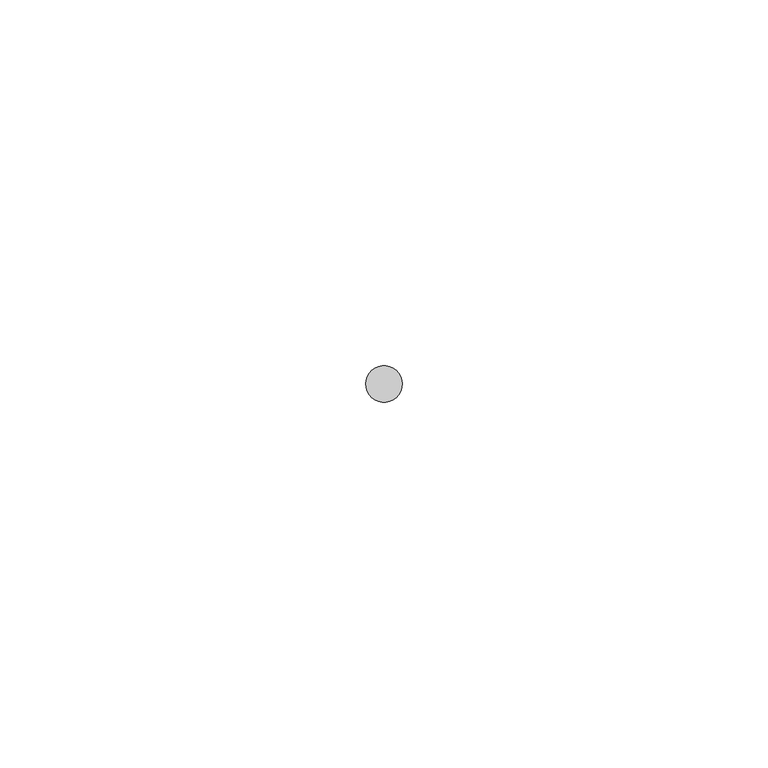
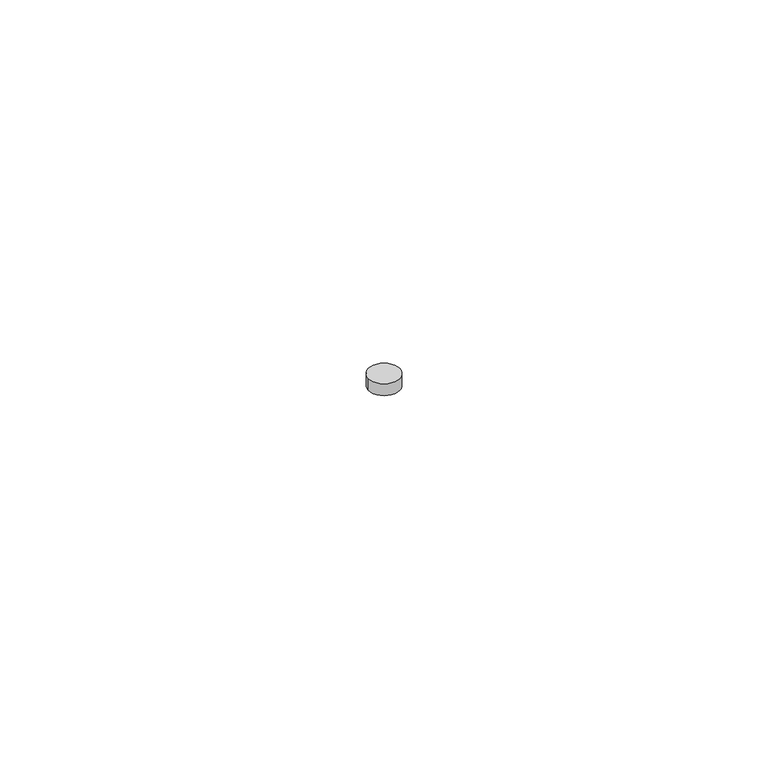
"""IFC4 building model written with IfcOpenShell, lengths in millimetres: proxy geometry."""

from ifc_helpers import new_model, si_unit, point, origin, origin_with_axes, origin_2d, place, context, project, spatial, circle_curve, trimmed, segment, composite_curve, outline, extrude, source, transform, mapped, element, save


def generic_models_1eacb7e6(model_context):
    return source(origin(), model_context, "Body", "SweptSolid", [
        extrude(outline(composite_curve([segment(trimmed(circle_curve(origin_2d(), 2.5), [point((-2.5, 0.0))], [point((2.5, 0.0))], False, "CARTESIAN"), True, "CONTINUOUS"), segment(trimmed(circle_curve(origin_2d(), 2.5), [point((2.5, 0.0))], [point((-2.5, 0.0))], False, "CARTESIAN"), True, "CONTINUOUS")], self_intersect=False)), origin_with_axes(), (0.0, 0.0, 1.0), 2.0),
    ])


if __name__ == "__main__":
    model = new_model("IFC4")
    model_context = context("Model", 3, world=origin())
    ifc_project = project(units=[si_unit("LENGTHUNIT", "METRE", prefix="MILLI")], contexts=[model_context])
    site = spatial("IfcSite", under=ifc_project)
    building = spatial("IfcBuilding", under=site)
    placement = place(None, origin())
    generic_models_shape = generic_models_1eacb7e6(model_context)
    element("IfcBuildingElementProxy", 1, Name="Generic Models", at=placement, inside=building, context=model_context, shape_type="MappedRepresentation", body=[
        mapped(generic_models_shape, transform((0.0, 0.0, 0.0), x_axis=(1.0, 0.0, 0.0), y_axis=(0.0, 1.0, 0.0), z_axis=(0.0, 0.0, 1.0))),
    ])
    save(model, "model.ifc")
